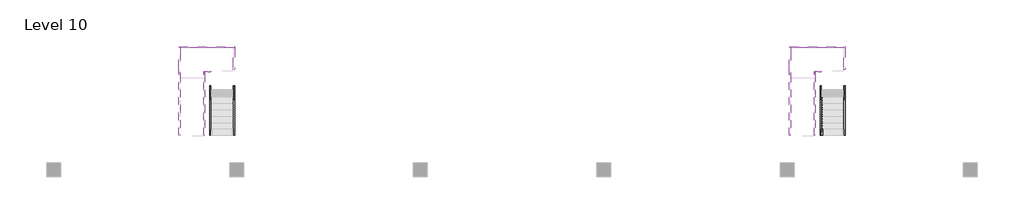
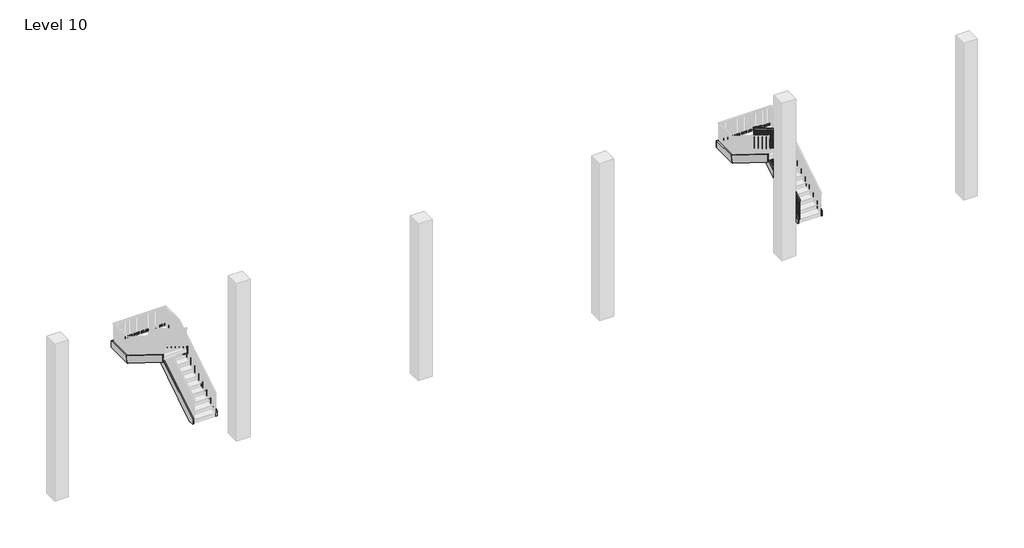
# One storey, part 16 of 16: 18 members, 1 railing.
"""IFC4 building model written with IfcOpenShell, lengths in millimetres."""

from ifc_helpers import new_model, si_unit, frame, origin, place, context, project, spatial, polyline, outline, extrude, faceted_brep, element, save

model = new_model("IFC4")

# Units and contexts
model_context = context("Model", 3, world=origin())
ifc_project = project(units=[si_unit("LENGTHUNIT", "METRE", prefix="MILLI")], contexts=[model_context])

# Site, building, storey
site = spatial("IfcSite", under=ifc_project)
building = spatial("IfcBuilding", under=site)
storey = spatial("IfcBuildingStorey", under=building, Name="Level 10", Elevation=36118.8)

# Members
placement = place(None, origin())
element("IfcMember", 1, ObjectType="Stringer - 2\" Width", at=placement, inside=storey, context=model_context, shape_type="SweptSolid", body=[
    extrude(outline(polyline([(2625.4460566, 36118.8), (2625.4460566, 36332.5528305), (5368.6460566, 38042.5995838), (5368.6460566, 37683.4269038), (2858.7237318, 36118.8), (2625.4460566, 36118.8)])), frame((7473.5171784, 0.0, 0.0), z_axis=(1.0, 0.0, 0.0), x_axis=(0.0, 1.0, 0.0)), (0.0, 0.0, 1.0), 50.8),
])
element("IfcMember", 2, ObjectType="Stringer - 2\" Width", at=placement, inside=storey, context=model_context, shape_type="SweptSolid", body=[
    extrude(outline(polyline([(2625.4460566, 36118.8), (2625.4460566, 36332.5528305), (5478.1883909, 38110.8857143), (5565.4112318, 37806.0857143), (2858.7237318, 36118.8), (2625.4460566, 36118.8)])), frame((8505.8069555, 0.0, 0.0), z_axis=(1.0, 0.0, 0.0), x_axis=(0.0, 1.0, 0.0)), (0.0, 0.0, 1.0), 50.8),
])
element("IfcMember", 3, ObjectType="Stringer - 2\" Width", at=placement, inside=storey, context=model_context, shape_type="SweptSolid", body=[
    extrude(outline(polyline([(5360.7037222, 38110.8857143), (5273.4808814, 37806.0857143), (2625.4460566, 39456.808722), (2625.4460566, 39815.981402), (5360.7037222, 38110.8857143)])), frame((7210.0329301, 0.0, 0.0), z_axis=(1.0, 0.0, 0.0), x_axis=(0.0, 1.0, 0.0)), (0.0, 0.0, 1.0), 50.8),
])
element("IfcMember", 4, ObjectType="Stringer - 2\" Width", at=placement, inside=storey, context=model_context, shape_type="SweptSolid", body=[
    extrude(outline(polyline([(5360.7037222, 38110.8857143), (5273.4808814, 37806.0857143), (2625.4460566, 39456.808722), (2625.4460566, 39815.981402), (5360.7037222, 38110.8857143)])), frame((6130.9069555, 0.0, 0.0), z_axis=(1.0, 0.0, 0.0), x_axis=(0.0, 1.0, 0.0)), (0.0, 0.0, 1.0), 50.8),
])
element("IfcMember", 5, ObjectType="Stringer - 2\" Width", at=placement, inside=storey, context=model_context, shape_type="Brep", body=[
    faceted_brep([(7210.0329301, 5360.7037222, 38110.8857143), (7260.8329301, 5360.7037222, 38110.8857143), (7260.8329301, 5368.6460566, 38110.8857143), (7210.0329301, 5419.4460566, 38110.8857143), (7210.0329301, 5273.4808814, 37806.0857143), (7210.0329301, 5419.4460566, 37806.0857143), (7260.8329301, 5273.4808814, 37806.0857143), (7260.8329301, 5368.6460566, 37806.0857143)], [[[0, 1, 2, 3]], [[4, 0, 3, 5]], [[6, 4, 5, 7]], [[1, 6, 7, 2]], [[1, 0, 4, 6]], [[2, 7, 5, 3]]]),
])
element("IfcMember", 6, ObjectType="Stringer - 2\" Width", at=placement, inside=storey, context=model_context, shape_type="SweptSolid", body=[
    extrude(outline(polyline([(7260.8329301, 5368.6460566), (7210.0329301, 5419.4460566), (7524.3171784, 5419.4460566), (7524.3171784, 5368.6460566), (7260.8329301, 5368.6460566)])), frame((0.0, 0.0, 37806.0857143), z_axis=(0.0, 0.0, 1.0), x_axis=(1.0, 0.0, 0.0)), (0.0, 0.0, 1.0), 304.8),
])
element("IfcMember", 7, ObjectType="Stringer - 2\" Width", at=placement, inside=storey, context=model_context, shape_type="Brep", body=[
    faceted_brep([(8505.8069555, 5478.1883909, 38110.8857143), (8556.6069555, 5478.1883909, 38110.8857143), (8556.6069555, 6498.5720312, 38110.8857143), (8505.8069555, 6447.7720312, 38110.8857143), (8505.8069555, 5565.4112318, 37806.0857143), (8505.8069555, 6447.7720312, 37806.0857143), (8556.6069555, 5565.4112318, 37806.0857143), (8556.6069555, 6498.5720312, 37806.0857143)], [[[0, 1, 2, 3]], [[4, 0, 3, 5]], [[6, 4, 5, 7]], [[1, 6, 7, 2]], [[1, 0, 4, 6]], [[2, 7, 5, 3]]]),
])
element("IfcMember", 8, ObjectType="Stringer - 2\" Width", at=placement, inside=storey, context=model_context, shape_type="SweptSolid", body=[
    extrude(outline(polyline([(8556.6069555, 6498.5720312), (8505.8069555, 6447.7720312), (6181.7069555, 6447.7720312), (6130.9069555, 6498.5720312), (8556.6069555, 6498.5720312)])), frame((0.0, 0.0, 37806.0857143), z_axis=(0.0, 0.0, 1.0), x_axis=(1.0, 0.0, 0.0)), (0.0, 0.0, 1.0), 304.8),
])
element("IfcMember", 9, ObjectType="Stringer - 2\" Width", at=placement, inside=storey, context=model_context, shape_type="Brep", body=[
    faceted_brep([(6181.7069555, 6447.7720312, 38110.8857143), (6130.9069555, 6498.5720312, 38110.8857143), (6130.9069555, 5360.7037222, 38110.8857143), (6181.7069555, 5360.7037222, 38110.8857143), (6181.7069555, 6447.7720312, 37806.0857143), (6181.7069555, 5273.4808814, 37806.0857143), (6130.9069555, 6498.5720312, 37806.0857143), (6130.9069555, 5273.4808814, 37806.0857143)], [[[0, 1, 2, 3]], [[4, 0, 3, 5]], [[6, 4, 5, 7]], [[1, 6, 7, 2]], [[1, 0, 4, 6]], [[2, 7, 5, 3]]]),
])
element("IfcMember", 10, ObjectType="Stringer - 2\" Width", at=placement, inside=storey, context=model_context, shape_type="SweptSolid", body=[
    extrude(outline(polyline([(2625.4460566, 36118.8), (2625.4460566, 36332.5528305), (5368.6460566, 38042.5995838), (5368.6460566, 37683.4269038), (2858.7237318, 36118.8), (2625.4460566, 36118.8)])), frame((-19158.3828216, 0.0, 0.0), z_axis=(1.0, 0.0, 0.0), x_axis=(0.0, 1.0, 0.0)), (0.0, 0.0, 1.0), 50.8),
])
element("IfcMember", 11, ObjectType="Stringer - 2\" Width", at=placement, inside=storey, context=model_context, shape_type="SweptSolid", body=[
    extrude(outline(polyline([(2625.4460566, 36118.8), (2625.4460566, 36332.5528305), (5478.1883909, 38110.8857143), (5565.4112318, 37806.0857143), (2858.7237318, 36118.8), (2625.4460566, 36118.8)])), frame((-18126.0930445, 0.0, 0.0), z_axis=(1.0, 0.0, 0.0), x_axis=(0.0, 1.0, 0.0)), (0.0, 0.0, 1.0), 50.8),
])
element("IfcMember", 12, ObjectType="Stringer - 2\" Width", at=placement, inside=storey, context=model_context, shape_type="SweptSolid", body=[
    extrude(outline(polyline([(5360.7037222, 38110.8857143), (5273.4808814, 37806.0857143), (2625.4460566, 39456.808722), (2625.4460566, 39815.981402), (5360.7037222, 38110.8857143)])), frame((-19421.8670699, 0.0, 0.0), z_axis=(1.0, 0.0, 0.0), x_axis=(0.0, 1.0, 0.0)), (0.0, 0.0, 1.0), 50.8),
])
element("IfcMember", 13, ObjectType="Stringer - 2\" Width", at=placement, inside=storey, context=model_context, shape_type="SweptSolid", body=[
    extrude(outline(polyline([(5360.7037222, 38110.8857143), (5273.4808814, 37806.0857143), (2625.4460566, 39456.808722), (2625.4460566, 39815.981402), (5360.7037222, 38110.8857143)])), frame((-20500.9930445, 0.0, 0.0), z_axis=(1.0, 0.0, 0.0), x_axis=(0.0, 1.0, 0.0)), (0.0, 0.0, 1.0), 50.8),
])
element("IfcMember", 14, ObjectType="Stringer - 2\" Width", at=placement, inside=storey, context=model_context, shape_type="Brep", body=[
    faceted_brep([(-19421.8670699, 5360.7037222, 38110.8857143), (-19371.0670699, 5360.7037222, 38110.8857143), (-19371.0670699, 5368.6460566, 38110.8857143), (-19421.8670699, 5419.4460566, 38110.8857143), (-19421.8670699, 5273.4808814, 37806.0857143), (-19421.8670699, 5419.4460566, 37806.0857143), (-19371.0670699, 5273.4808814, 37806.0857143), (-19371.0670699, 5368.6460566, 37806.0857143)], [[[0, 1, 2, 3]], [[4, 0, 3, 5]], [[6, 4, 5, 7]], [[1, 6, 7, 2]], [[1, 0, 4, 6]], [[2, 7, 5, 3]]]),
])
element("IfcMember", 15, ObjectType="Stringer - 2\" Width", at=placement, inside=storey, context=model_context, shape_type="SweptSolid", body=[
    extrude(outline(polyline([(-19371.0670699, 5368.6460566), (-19421.8670699, 5419.4460566), (-19107.5828216, 5419.4460566), (-19107.5828216, 5368.6460566), (-19371.0670699, 5368.6460566)])), frame((0.0, 0.0, 37806.0857143), z_axis=(0.0, 0.0, 1.0), x_axis=(1.0, 0.0, 0.0)), (0.0, 0.0, 1.0), 304.8),
])
element("IfcMember", 16, ObjectType="Stringer - 2\" Width", at=placement, inside=storey, context=model_context, shape_type="Brep", body=[
    faceted_brep([(-18126.0930445, 5478.1883909, 38110.8857143), (-18075.2930445, 5478.1883909, 38110.8857143), (-18075.2930445, 6498.5720312, 38110.8857143), (-18126.0930445, 6447.7720312, 38110.8857143), (-18126.0930445, 5565.4112318, 37806.0857143), (-18126.0930445, 6447.7720312, 37806.0857143), (-18075.2930445, 5565.4112318, 37806.0857143), (-18075.2930445, 6498.5720312, 37806.0857143)], [[[0, 1, 2, 3]], [[4, 0, 3, 5]], [[6, 4, 5, 7]], [[1, 6, 7, 2]], [[1, 0, 4, 6]], [[2, 7, 5, 3]]]),
])
element("IfcMember", 17, ObjectType="Stringer - 2\" Width", at=placement, inside=storey, context=model_context, shape_type="SweptSolid", body=[
    extrude(outline(polyline([(-18075.2930445, 6498.5720312), (-18126.0930445, 6447.7720312), (-20450.1930445, 6447.7720312), (-20500.9930445, 6498.5720312), (-18075.2930445, 6498.5720312)])), frame((0.0, 0.0, 37806.0857143), z_axis=(0.0, 0.0, 1.0), x_axis=(1.0, 0.0, 0.0)), (0.0, 0.0, 1.0), 304.8),
])
element("IfcMember", 18, ObjectType="Stringer - 2\" Width", at=placement, inside=storey, context=model_context, shape_type="Brep", body=[
    faceted_brep([(-20450.1930445, 6447.7720312, 38110.8857143), (-20500.9930445, 6498.5720312, 38110.8857143), (-20500.9930445, 5360.7037222, 38110.8857143), (-20450.1930445, 5360.7037222, 38110.8857143), (-20450.1930445, 6447.7720312, 37806.0857143), (-20450.1930445, 5273.4808814, 37806.0857143), (-20500.9930445, 6498.5720312, 37806.0857143), (-20500.9930445, 5273.4808814, 37806.0857143)], [[[0, 1, 2, 3]], [[4, 0, 3, 5]], [[6, 4, 5, 7]], [[1, 6, 7, 2]], [[1, 0, 4, 6]], [[2, 7, 5, 3]]]),
])

# Railing
element("IfcRailing", 19, ObjectType="Handrail - Rectangular", at=placement, inside=storey, context=model_context, shape_type="SolidModel", body=[
    faceted_brep([(7524.3171784, 2625.4460566, 37207.3714286), (7524.3171784, 2625.4460566, 37147.5093152), (7575.1171784, 2625.4460566, 37147.5093152), (7575.1171784, 2625.4460566, 37207.3714286), (7524.3171784, 5343.2460566, 38901.5844156), (7524.3171784, 5394.0460566, 38873.3898347), (7575.1171784, 5394.0460566, 38873.3898347), (7575.1171784, 5343.2460566, 38901.5844156), (7524.3171784, 5343.2460566, 38949.0857143), (7524.3171784, 5394.0460566, 38898.2857143), (7575.1171784, 5394.0460566, 38898.2857143), (7575.1171784, 5343.2460566, 38949.0857143), (7524.3171784, 5419.4460566, 38949.0857143), (7524.3171784, 5419.4460566, 38898.2857143), (7575.1171784, 5470.2460566, 38898.2857143), (7575.1171784, 5470.2460566, 38949.0857143), (7448.1171784, 5419.4460566, 38949.0857143), (7448.1171784, 5419.4460566, 38898.2857143), (7448.1171784, 5470.2460566, 38898.2857143), (7448.1171784, 5470.2460566, 38949.0857143), (7286.2329301, 5419.4460566, 38949.0857143), (7235.4329301, 5419.4460566, 38898.2857143), (7235.4329301, 5470.2460566, 38898.2857143), (7286.2329301, 5470.2460566, 38949.0857143), (7286.2329301, 5419.4460566, 38996.587013), (7235.4329301, 5419.4460566, 38945.787013), (7235.4329301, 5470.2460566, 38945.787013), (7286.2329301, 5470.2460566, 38996.587013), (7210.0329301, 5419.4460566, 38996.587013), (7210.0329301, 5419.4460566, 38945.787013), (7159.2329301, 5470.2460566, 38945.787013), (7159.2329301, 5470.2460566, 38996.587013), (7210.0329301, 5343.2460566, 38996.587013), (7210.0329301, 5328.7089165, 38945.787013), (7159.2329301, 5328.7089165, 38945.787013), (7159.2329301, 5343.2460566, 38996.587013), (7210.0329301, 2625.4460566, 40690.8), (7159.2329301, 2625.4460566, 40690.8), (7159.2329301, 2625.4460566, 40630.9378867), (7210.0329301, 2625.4460566, 40630.9378867)], [[[0, 1, 2, 3]], [[1, 0, 4, 5]], [[2, 1, 5, 6]], [[3, 2, 6, 7]], [[0, 3, 7, 4]], [[5, 4, 8, 9]], [[6, 5, 9, 10]], [[7, 6, 10, 11]], [[4, 7, 11, 8]], [[9, 8, 12, 13]], [[10, 9, 13, 14]], [[11, 10, 14, 15]], [[8, 11, 15, 12]], [[13, 12, 16, 17]], [[14, 13, 17, 18]], [[15, 14, 18, 19]], [[12, 15, 19, 16]], [[17, 16, 20, 21]], [[18, 17, 21, 22]], [[19, 18, 22, 23]], [[16, 19, 23, 20]], [[21, 20, 24, 25]], [[22, 21, 25, 26]], [[23, 22, 26, 27]], [[20, 23, 27, 24]], [[25, 24, 28, 29]], [[26, 25, 29, 30]], [[27, 26, 30, 31]], [[24, 27, 31, 28]], [[29, 28, 32, 33]], [[30, 29, 33, 34]], [[31, 30, 34, 35]], [[28, 31, 35, 32]], [[36, 37, 38, 39]], [[33, 32, 36, 39]], [[34, 33, 39, 38]], [[35, 34, 38, 37]], [[32, 35, 37, 36]]]),
    extrude(outline(polyline([(2685.7710566, 40593.3326919), (2685.7710566, 39602.2285714), (2666.7210566, 39602.2285714), (2666.7210566, 40605.2080165), (2685.7710566, 40593.3326919)])), frame((7175.1079301, 0.0, 0.0), z_axis=(1.0, 0.0, 0.0), x_axis=(0.0, 1.0, 0.0)), (0.0, 0.0, 1.0), 19.05),
    extrude(outline(polyline([(2787.3710566, 40529.9976269), (2787.3710566, 39602.2285714), (2768.3210566, 39602.2285714), (2768.3210566, 40541.8729516), (2787.3710566, 40529.9976269)])), frame((7175.1079301, 0.0, 0.0), z_axis=(1.0, 0.0, 0.0), x_axis=(0.0, 1.0, 0.0)), (0.0, 0.0, 1.0), 19.05),
    extrude(outline(polyline([(2888.9710566, 40466.662562), (2888.9710566, 39602.2285714), (2869.9210566, 39602.2285714), (2869.9210566, 40478.5378867), (2888.9710566, 40466.662562)])), frame((7175.1079301, 0.0, 0.0), z_axis=(1.0, 0.0, 0.0), x_axis=(0.0, 1.0, 0.0)), (0.0, 0.0, 1.0), 19.05),
    extrude(outline(polyline([(2990.5710566, 40403.3274971), (2990.5710566, 39428.0571429), (2971.5210566, 39428.0571429), (2971.5210566, 40415.2028217), (2990.5710566, 40403.3274971)])), frame((7175.1079301, 0.0, 0.0), z_axis=(1.0, 0.0, 0.0), x_axis=(0.0, 1.0, 0.0)), (0.0, 0.0, 1.0), 19.05),
    extrude(outline(polyline([(3092.1710566, 40339.9924321), (3092.1710566, 39428.0571429), (3073.1210566, 39428.0571429), (3073.1210566, 40351.8677568), (3092.1710566, 40339.9924321)])), frame((7175.1079301, 0.0, 0.0), z_axis=(1.0, 0.0, 0.0), x_axis=(0.0, 1.0, 0.0)), (0.0, 0.0, 1.0), 19.05),
    extrude(outline(polyline([(3193.7710566, 40276.6573672), (3193.7710566, 39428.0571429), (3174.7210566, 39428.0571429), (3174.7210566, 40288.5326919), (3193.7710566, 40276.6573672)])), frame((7175.1079301, 0.0, 0.0), z_axis=(1.0, 0.0, 0.0), x_axis=(0.0, 1.0, 0.0)), (0.0, 0.0, 1.0), 19.05),
    extrude(outline(polyline([(3295.3710566, 40213.3223023), (3295.3710566, 39253.8857143), (3276.3210566, 39253.8857143), (3276.3210566, 40225.1976269), (3295.3710566, 40213.3223023)])), frame((7175.1079301, 0.0, 0.0), z_axis=(1.0, 0.0, 0.0), x_axis=(0.0, 1.0, 0.0)), (0.0, 0.0, 1.0), 19.05),
    extrude(outline(polyline([(3396.9710566, 40149.9872373), (3396.9710566, 39253.8857143), (3377.9210566, 39253.8857143), (3377.9210566, 40161.862562), (3396.9710566, 40149.9872373)])), frame((7175.1079301, 0.0, 0.0), z_axis=(1.0, 0.0, 0.0), x_axis=(0.0, 1.0, 0.0)), (0.0, 0.0, 1.0), 19.05),
    extrude(outline(polyline([(3498.5710566, 40086.6521724), (3498.5710566, 39079.7142857), (3479.5210566, 39079.7142857), (3479.5210566, 40098.5274971), (3498.5710566, 40086.6521724)])), frame((7175.1079301, 0.0, 0.0), z_axis=(1.0, 0.0, 0.0), x_axis=(0.0, 1.0, 0.0)), (0.0, 0.0, 1.0), 19.05),
    extrude(outline(polyline([(3600.1710566, 40023.3171074), (3600.1710566, 39079.7142857), (3581.1210566, 39079.7142857), (3581.1210566, 40035.1924321), (3600.1710566, 40023.3171074)])), frame((7175.1079301, 0.0, 0.0), z_axis=(1.0, 0.0, 0.0), x_axis=(0.0, 1.0, 0.0)), (0.0, 0.0, 1.0), 19.05),
    extrude(outline(polyline([(3701.7710566, 39959.9820425), (3701.7710566, 39079.7142857), (3682.7210566, 39079.7142857), (3682.7210566, 39971.8573672), (3701.7710566, 39959.9820425)])), frame((7175.1079301, 0.0, 0.0), z_axis=(1.0, 0.0, 0.0), x_axis=(0.0, 1.0, 0.0)), (0.0, 0.0, 1.0), 19.05),
    extrude(outline(polyline([(3803.3710566, 39896.6469776), (3803.3710566, 38905.5428571), (3784.3210566, 38905.5428571), (3784.3210566, 39908.5223023), (3803.3710566, 39896.6469776)])), frame((7175.1079301, 0.0, 0.0), z_axis=(1.0, 0.0, 0.0), x_axis=(0.0, 1.0, 0.0)), (0.0, 0.0, 1.0), 19.05),
    extrude(outline(polyline([(3904.9710566, 39833.3119126), (3904.9710566, 38905.5428571), (3885.9210566, 38905.5428571), (3885.9210566, 39845.1872373), (3904.9710566, 39833.3119126)])), frame((7175.1079301, 0.0, 0.0), z_axis=(1.0, 0.0, 0.0), x_axis=(0.0, 1.0, 0.0)), (0.0, 0.0, 1.0), 19.05),
    extrude(outline(polyline([(4006.5710566, 39769.9768477), (4006.5710566, 38905.5428571), (3987.5210566, 38905.5428571), (3987.5210566, 39781.8521724), (4006.5710566, 39769.9768477)])), frame((7175.1079301, 0.0, 0.0), z_axis=(1.0, 0.0, 0.0), x_axis=(0.0, 1.0, 0.0)), (0.0, 0.0, 1.0), 19.05),
    extrude(outline(polyline([(4108.1710566, 39706.6417828), (4108.1710566, 38731.3714286), (4089.1210566, 38731.3714286), (4089.1210566, 39718.5171074), (4108.1710566, 39706.6417828)])), frame((7175.1079301, 0.0, 0.0), z_axis=(1.0, 0.0, 0.0), x_axis=(0.0, 1.0, 0.0)), (0.0, 0.0, 1.0), 19.05),
    extrude(outline(polyline([(4209.7710566, 39643.3067178), (4209.7710566, 38731.3714286), (4190.7210566, 38731.3714286), (4190.7210566, 39655.1820425), (4209.7710566, 39643.3067178)])), frame((7175.1079301, 0.0, 0.0), z_axis=(1.0, 0.0, 0.0), x_axis=(0.0, 1.0, 0.0)), (0.0, 0.0, 1.0), 19.05),
    extrude(outline(polyline([(4311.3710566, 39579.9716529), (4311.3710566, 38731.3714286), (4292.3210566, 38731.3714286), (4292.3210566, 39591.8469776), (4311.3710566, 39579.9716529)])), frame((7175.1079301, 0.0, 0.0), z_axis=(1.0, 0.0, 0.0), x_axis=(0.0, 1.0, 0.0)), (0.0, 0.0, 1.0), 19.05),
    extrude(outline(polyline([(4412.9710566, 39516.636588), (4412.9710566, 38557.2), (4393.9210566, 38557.2), (4393.9210566, 39528.5119126), (4412.9710566, 39516.636588)])), frame((7175.1079301, 0.0, 0.0), z_axis=(1.0, 0.0, 0.0), x_axis=(0.0, 1.0, 0.0)), (0.0, 0.0, 1.0), 19.05),
    extrude(outline(polyline([(4514.5710566, 39453.301523), (4514.5710566, 38557.2), (4495.5210566, 38557.2), (4495.5210566, 39465.1768477), (4514.5710566, 39453.301523)])), frame((7175.1079301, 0.0, 0.0), z_axis=(1.0, 0.0, 0.0), x_axis=(0.0, 1.0, 0.0)), (0.0, 0.0, 1.0), 19.05),
    extrude(outline(polyline([(4616.1710566, 39389.9664581), (4616.1710566, 38383.0285714), (4597.1210566, 38383.0285714), (4597.1210566, 39401.8417828), (4616.1710566, 39389.9664581)])), frame((7175.1079301, 0.0, 0.0), z_axis=(1.0, 0.0, 0.0), x_axis=(0.0, 1.0, 0.0)), (0.0, 0.0, 1.0), 19.05),
    extrude(outline(polyline([(4717.7710566, 39326.6313932), (4717.7710566, 38383.0285714), (4698.7210566, 38383.0285714), (4698.7210566, 39338.5067178), (4717.7710566, 39326.6313932)])), frame((7175.1079301, 0.0, 0.0), z_axis=(1.0, 0.0, 0.0), x_axis=(0.0, 1.0, 0.0)), (0.0, 0.0, 1.0), 19.05),
    extrude(outline(polyline([(4819.3710566, 39263.2963282), (4819.3710566, 38383.0285714), (4800.3210566, 38383.0285714), (4800.3210566, 39275.1716529), (4819.3710566, 39263.2963282)])), frame((7175.1079301, 0.0, 0.0), z_axis=(1.0, 0.0, 0.0), x_axis=(0.0, 1.0, 0.0)), (0.0, 0.0, 1.0), 19.05),
    extrude(outline(polyline([(4920.9710566, 39199.9612633), (4920.9710566, 38208.8571429), (4901.9210566, 38208.8571429), (4901.9210566, 39211.836588), (4920.9710566, 39199.9612633)])), frame((7175.1079301, 0.0, 0.0), z_axis=(1.0, 0.0, 0.0), x_axis=(0.0, 1.0, 0.0)), (0.0, 0.0, 1.0), 19.05),
    extrude(outline(polyline([(5022.5710566, 39136.6261984), (5022.5710566, 38208.8571429), (5003.5210566, 38208.8571429), (5003.5210566, 39148.501523), (5022.5710566, 39136.6261984)])), frame((7175.1079301, 0.0, 0.0), z_axis=(1.0, 0.0, 0.0), x_axis=(0.0, 1.0, 0.0)), (0.0, 0.0, 1.0), 19.05),
    extrude(outline(polyline([(5124.1710566, 39073.2911334), (5124.1710566, 38208.8571429), (5105.1210566, 38208.8571429), (5105.1210566, 39085.1664581), (5124.1710566, 39073.2911334)])), frame((7175.1079301, 0.0, 0.0), z_axis=(1.0, 0.0, 0.0), x_axis=(0.0, 1.0, 0.0)), (0.0, 0.0, 1.0), 19.05),
    extrude(outline(polyline([(5225.7710566, 39009.9560685), (5225.7710566, 38034.6857143), (5206.7210566, 38034.6857143), (5206.7210566, 39021.8313932), (5225.7710566, 39009.9560685)])), frame((7175.1079301, 0.0, 0.0), z_axis=(1.0, 0.0, 0.0), x_axis=(0.0, 1.0, 0.0)), (0.0, 0.0, 1.0), 19.05),
    extrude(outline(polyline([(5327.3710566, 38946.6210036), (5327.3710566, 38034.6857143), (5308.3210566, 38034.6857143), (5308.3210566, 38958.4963282), (5327.3710566, 38946.6210036)])), frame((7175.1079301, 0.0, 0.0), z_axis=(1.0, 0.0, 0.0), x_axis=(0.0, 1.0, 0.0)), (0.0, 0.0, 1.0), 19.05),
    extrude(outline(polyline([(7254.4421784, 5435.3210566), (7235.3921784, 5435.3210566), (7235.3921784, 5454.3710566), (7254.4421784, 5454.3710566), (7254.4421784, 5435.3210566)])), frame((0.0, 0.0, 38034.6857143), z_axis=(0.0, 0.0, 1.0), x_axis=(1.0, 0.0, 0.0)), (0.0, 0.0, 1.0), 863.6),
    extrude(outline(polyline([(7356.0421784, 5435.3210566), (7336.9921784, 5435.3210566), (7336.9921784, 5454.3710566), (7356.0421784, 5454.3710566), (7356.0421784, 5435.3210566)])), frame((0.0, 0.0, 38034.6857143), z_axis=(0.0, 0.0, 1.0), x_axis=(1.0, 0.0, 0.0)), (0.0, 0.0, 1.0), 863.6),
    extrude(outline(polyline([(7457.6421784, 5435.3210566), (7438.5921784, 5435.3210566), (7438.5921784, 5454.3710566), (7457.6421784, 5454.3710566), (7457.6421784, 5435.3210566)])), frame((0.0, 0.0, 38034.6857143), z_axis=(0.0, 0.0, 1.0), x_axis=(1.0, 0.0, 0.0)), (0.0, 0.0, 1.0), 863.6),
    extrude(outline(polyline([(5378.1710566, 38863.4937308), (5378.1710566, 37860.5142857), (5359.1210566, 37860.5142857), (5359.1210566, 38851.6184061), (5378.1710566, 38863.4937308)])), frame((7540.1921784, 0.0, 0.0), z_axis=(1.0, 0.0, 0.0), x_axis=(0.0, 1.0, 0.0)), (0.0, 0.0, 1.0), 19.05),
    extrude(outline(polyline([(5276.5710566, 38800.1586659), (5276.5710566, 37860.5142857), (5257.5210566, 37860.5142857), (5257.5210566, 38788.2833412), (5276.5710566, 38800.1586659)])), frame((7540.1921784, 0.0, 0.0), z_axis=(1.0, 0.0, 0.0), x_axis=(0.0, 1.0, 0.0)), (0.0, 0.0, 1.0), 19.05),
    extrude(outline(polyline([(5174.9710566, 38736.823601), (5174.9710566, 37860.5142857), (5155.9210566, 37860.5142857), (5155.9210566, 38724.9482763), (5174.9710566, 38736.823601)])), frame((7540.1921784, 0.0, 0.0), z_axis=(1.0, 0.0, 0.0), x_axis=(0.0, 1.0, 0.0)), (0.0, 0.0, 1.0), 19.05),
    extrude(outline(polyline([(5073.3710566, 38673.488536), (5073.3710566, 37686.3428571), (5054.3210566, 37686.3428571), (5054.3210566, 38661.6132113), (5073.3710566, 38673.488536)])), frame((7540.1921784, 0.0, 0.0), z_axis=(1.0, 0.0, 0.0), x_axis=(0.0, 1.0, 0.0)), (0.0, 0.0, 1.0), 19.05),
    extrude(outline(polyline([(4971.7710566, 38610.1534711), (4971.7710566, 37686.3428571), (4952.7210566, 37686.3428571), (4952.7210566, 38598.2781464), (4971.7710566, 38610.1534711)])), frame((7540.1921784, 0.0, 0.0), z_axis=(1.0, 0.0, 0.0), x_axis=(0.0, 1.0, 0.0)), (0.0, 0.0, 1.0), 19.05),
    extrude(outline(polyline([(4870.1710566, 38546.8184061), (4870.1710566, 37686.3428571), (4851.1210566, 37686.3428571), (4851.1210566, 38534.9430815), (4870.1710566, 38546.8184061)])), frame((7540.1921784, 0.0, 0.0), z_axis=(1.0, 0.0, 0.0), x_axis=(0.0, 1.0, 0.0)), (0.0, 0.0, 1.0), 19.05),
    extrude(outline(polyline([(4768.5710566, 38483.4833412), (4768.5710566, 37512.1714286), (4749.5210566, 37512.1714286), (4749.5210566, 38471.6080165), (4768.5710566, 38483.4833412)])), frame((7540.1921784, 0.0, 0.0), z_axis=(1.0, 0.0, 0.0), x_axis=(0.0, 1.0, 0.0)), (0.0, 0.0, 1.0), 19.05),
    extrude(outline(polyline([(4666.9710566, 38420.1482763), (4666.9710566, 37512.1714286), (4647.9210566, 37512.1714286), (4647.9210566, 38408.2729516), (4666.9710566, 38420.1482763)])), frame((7540.1921784, 0.0, 0.0), z_axis=(1.0, 0.0, 0.0), x_axis=(0.0, 1.0, 0.0)), (0.0, 0.0, 1.0), 19.05),
    extrude(outline(polyline([(4565.3710566, 38356.8132113), (4565.3710566, 37338.0), (4546.3210566, 37338.0), (4546.3210566, 38344.9378867), (4565.3710566, 38356.8132113)])), frame((7540.1921784, 0.0, 0.0), z_axis=(1.0, 0.0, 0.0), x_axis=(0.0, 1.0, 0.0)), (0.0, 0.0, 1.0), 19.05),
    extrude(outline(polyline([(4463.7710566, 38293.4781464), (4463.7710566, 37338.0), (4444.7210566, 37338.0), (4444.7210566, 38281.6028217), (4463.7710566, 38293.4781464)])), frame((7540.1921784, 0.0, 0.0), z_axis=(1.0, 0.0, 0.0), x_axis=(0.0, 1.0, 0.0)), (0.0, 0.0, 1.0), 19.05),
    extrude(outline(polyline([(4362.1710566, 38230.1430815), (4362.1710566, 37338.0), (4343.1210566, 37338.0), (4343.1210566, 38218.2677568), (4362.1710566, 38230.1430815)])), frame((7540.1921784, 0.0, 0.0), z_axis=(1.0, 0.0, 0.0), x_axis=(0.0, 1.0, 0.0)), (0.0, 0.0, 1.0), 19.05),
    extrude(outline(polyline([(4260.5710566, 38166.8080165), (4260.5710566, 37163.8285714), (4241.5210566, 37163.8285714), (4241.5210566, 38154.9326919), (4260.5710566, 38166.8080165)])), frame((7540.1921784, 0.0, 0.0), z_axis=(1.0, 0.0, 0.0), x_axis=(0.0, 1.0, 0.0)), (0.0, 0.0, 1.0), 19.05),
    extrude(outline(polyline([(4158.9710566, 38103.4729516), (4158.9710566, 37163.8285714), (4139.9210566, 37163.8285714), (4139.9210566, 38091.5976269), (4158.9710566, 38103.4729516)])), frame((7540.1921784, 0.0, 0.0), z_axis=(1.0, 0.0, 0.0), x_axis=(0.0, 1.0, 0.0)), (0.0, 0.0, 1.0), 19.05),
    extrude(outline(polyline([(4057.3710566, 38040.1378867), (4057.3710566, 37163.8285714), (4038.3210566, 37163.8285714), (4038.3210566, 38028.262562), (4057.3710566, 38040.1378867)])), frame((7540.1921784, 0.0, 0.0), z_axis=(1.0, 0.0, 0.0), x_axis=(0.0, 1.0, 0.0)), (0.0, 0.0, 1.0), 19.05),
    extrude(outline(polyline([(3955.7710566, 37976.8028217), (3955.7710566, 36989.6571429), (3936.7210566, 36989.6571429), (3936.7210566, 37964.9274971), (3955.7710566, 37976.8028217)])), frame((7540.1921784, 0.0, 0.0), z_axis=(1.0, 0.0, 0.0), x_axis=(0.0, 1.0, 0.0)), (0.0, 0.0, 1.0), 19.05),
    extrude(outline(polyline([(3854.1710566, 37913.4677568), (3854.1710566, 36989.6571429), (3835.1210566, 36989.6571429), (3835.1210566, 37901.5924321), (3854.1710566, 37913.4677568)])), frame((7540.1921784, 0.0, 0.0), z_axis=(1.0, 0.0, 0.0), x_axis=(0.0, 1.0, 0.0)), (0.0, 0.0, 1.0), 19.05),
    extrude(outline(polyline([(3752.5710566, 37850.1326919), (3752.5710566, 36989.6571429), (3733.5210566, 36989.6571429), (3733.5210566, 37838.2573672), (3752.5710566, 37850.1326919)])), frame((7540.1921784, 0.0, 0.0), z_axis=(1.0, 0.0, 0.0), x_axis=(0.0, 1.0, 0.0)), (0.0, 0.0, 1.0), 19.05),
    extrude(outline(polyline([(3650.9710566, 37786.7976269), (3650.9710566, 36815.4857143), (3631.9210566, 36815.4857143), (3631.9210566, 37774.9223023), (3650.9710566, 37786.7976269)])), frame((7540.1921784, 0.0, 0.0), z_axis=(1.0, 0.0, 0.0), x_axis=(0.0, 1.0, 0.0)), (0.0, 0.0, 1.0), 19.05),
    extrude(outline(polyline([(3549.3710566, 37723.462562), (3549.3710566, 36815.4857143), (3530.3210566, 36815.4857143), (3530.3210566, 37711.5872373), (3549.3710566, 37723.462562)])), frame((7540.1921784, 0.0, 0.0), z_axis=(1.0, 0.0, 0.0), x_axis=(0.0, 1.0, 0.0)), (0.0, 0.0, 1.0), 19.05),
    extrude(outline(polyline([(3447.7710566, 37660.1274971), (3447.7710566, 36641.3142857), (3428.7210566, 36641.3142857), (3428.7210566, 37648.2521724), (3447.7710566, 37660.1274971)])), frame((7540.1921784, 0.0, 0.0), z_axis=(1.0, 0.0, 0.0), x_axis=(0.0, 1.0, 0.0)), (0.0, 0.0, 1.0), 19.05),
    extrude(outline(polyline([(3346.1710566, 37596.7924321), (3346.1710566, 36641.3142857), (3327.1210566, 36641.3142857), (3327.1210566, 37584.9171074), (3346.1710566, 37596.7924321)])), frame((7540.1921784, 0.0, 0.0), z_axis=(1.0, 0.0, 0.0), x_axis=(0.0, 1.0, 0.0)), (0.0, 0.0, 1.0), 19.05),
    extrude(outline(polyline([(3244.5710566, 37533.4573672), (3244.5710566, 36641.3142857), (3225.5210566, 36641.3142857), (3225.5210566, 37521.5820425), (3244.5710566, 37533.4573672)])), frame((7540.1921784, 0.0, 0.0), z_axis=(1.0, 0.0, 0.0), x_axis=(0.0, 1.0, 0.0)), (0.0, 0.0, 1.0), 19.05),
    extrude(outline(polyline([(3142.9710566, 37470.1223023), (3142.9710566, 36467.1428571), (3123.9210566, 36467.1428571), (3123.9210566, 37458.2469776), (3142.9710566, 37470.1223023)])), frame((7540.1921784, 0.0, 0.0), z_axis=(1.0, 0.0, 0.0), x_axis=(0.0, 1.0, 0.0)), (0.0, 0.0, 1.0), 19.05),
    extrude(outline(polyline([(3041.3710566, 37406.7872373), (3041.3710566, 36467.1428571), (3022.3210566, 36467.1428571), (3022.3210566, 37394.9119126), (3041.3710566, 37406.7872373)])), frame((7540.1921784, 0.0, 0.0), z_axis=(1.0, 0.0, 0.0), x_axis=(0.0, 1.0, 0.0)), (0.0, 0.0, 1.0), 19.05),
    extrude(outline(polyline([(2939.7710566, 37343.4521724), (2939.7710566, 36467.1428571), (2920.7210566, 36467.1428571), (2920.7210566, 37331.5768477), (2939.7710566, 37343.4521724)])), frame((7540.1921784, 0.0, 0.0), z_axis=(1.0, 0.0, 0.0), x_axis=(0.0, 1.0, 0.0)), (0.0, 0.0, 1.0), 19.05),
    extrude(outline(polyline([(2838.1710566, 37280.1171074), (2838.1710566, 36292.9714286), (2819.1210566, 36292.9714286), (2819.1210566, 37268.2417828), (2838.1710566, 37280.1171074)])), frame((7540.1921784, 0.0, 0.0), z_axis=(1.0, 0.0, 0.0), x_axis=(0.0, 1.0, 0.0)), (0.0, 0.0, 1.0), 19.05),
    extrude(outline(polyline([(2736.5710566, 37216.7820425), (2736.5710566, 36292.9714286), (2717.5210566, 36292.9714286), (2717.5210566, 37204.9067178), (2736.5710566, 37216.7820425)])), frame((7540.1921784, 0.0, 0.0), z_axis=(1.0, 0.0, 0.0), x_axis=(0.0, 1.0, 0.0)), (0.0, 0.0, 1.0), 19.05),
    extrude(outline(polyline([(7194.1579301, 5428.9710566), (7194.1579301, 5409.9210566), (7175.1079301, 5409.9210566), (7175.1079301, 5428.9710566), (7194.1579301, 5428.9710566)])), frame((0.0, 0.0, 38034.6857143), z_axis=(0.0, 0.0, 1.0), x_axis=(1.0, 0.0, 0.0)), (0.0, 0.0, 1.0), 911.1012987),
    extrude(outline(polyline([(7194.1579301, 5435.3210566), (7175.1079301, 5435.3210566), (7175.1079301, 5454.3710566), (7194.1579301, 5454.3710566), (7194.1579301, 5435.3210566)])), frame((0.0, 0.0, 38034.6857143), z_axis=(0.0, 0.0, 1.0), x_axis=(1.0, 0.0, 0.0)), (0.0, 0.0, 1.0), 911.1012987),
    extrude(outline(polyline([(7540.1921784, 5435.3210566), (7540.1921784, 5454.3710566), (7559.2421784, 5454.3710566), (7559.2421784, 5435.3210566), (7540.1921784, 5435.3210566)])), frame((0.0, 0.0, 38034.6857143), z_axis=(0.0, 0.0, 1.0), x_axis=(1.0, 0.0, 0.0)), (0.0, 0.0, 1.0), 863.6),
    extrude(outline(polyline([(7540.1921784, 5409.9210566), (7540.1921784, 5428.9710566), (7559.2421784, 5428.9710566), (7559.2421784, 5409.9210566), (7540.1921784, 5409.9210566)])), frame((0.0, 0.0, 38034.6857143), z_axis=(0.0, 0.0, 1.0), x_axis=(1.0, 0.0, 0.0)), (0.0, 0.0, 1.0), 863.6),
    extrude(outline(polyline([(2644.4960566, 40619.062562), (2644.4960566, 39602.2285714), (2625.4460566, 39602.2285714), (2625.4460566, 40630.9378867), (2644.4960566, 40619.062562)])), frame((7175.1079301, 0.0, 0.0), z_axis=(1.0, 0.0, 0.0), x_axis=(0.0, 1.0, 0.0)), (0.0, 0.0, 1.0), 19.05),
    extrude(outline(polyline([(2644.4960566, 37159.3846399), (2644.4960566, 36292.9714286), (2625.4460566, 36292.9714286), (2625.4460566, 37147.5093152), (2644.4960566, 37159.3846399)])), frame((7540.1921784, 0.0, 0.0), z_axis=(1.0, 0.0, 0.0), x_axis=(0.0, 1.0, 0.0)), (0.0, 0.0, 1.0), 19.05),
])

save(model, "model.ifc")
